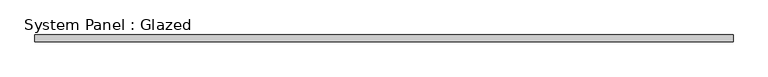
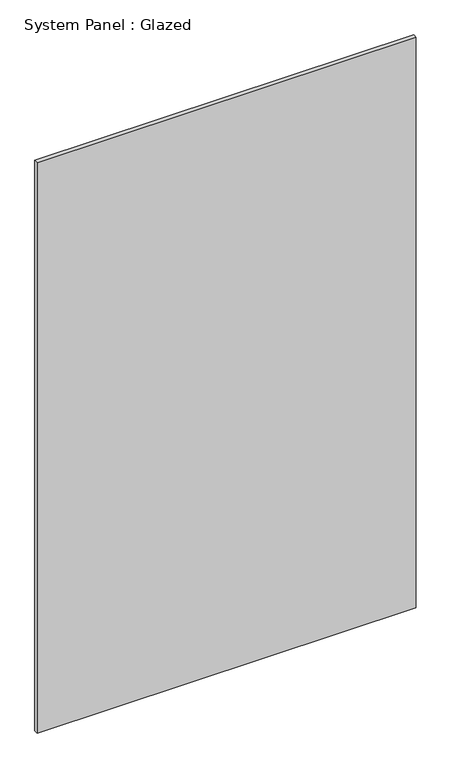
"""IFC4 building model written with IfcOpenShell, lengths in millimetres: plate geometry, System Panel : Glazed."""

from ifc_helpers import new_model, si_unit, origin, origin_with_axes, place, context, project, spatial, polyline, outline, extrude, source, transform, mapped, element, save


def system_panel_glazed_cc63a07c(model_context):
    return source(origin(), model_context, "Body", "SweptSolid", [
        extrude(outline(polyline([(1257.5000085, -49.5), (-1257.5000085, -49.5), (-1257.5000085, -24.5), (1257.5000085, -24.5), (1257.5000085, -49.5)])), origin_with_axes(), (0.0, 0.0, 1.0), 4000.0),
    ])


if __name__ == "__main__":
    model = new_model("IFC4")
    model_context = context("Model", 3, world=origin())
    ifc_project = project(units=[si_unit("LENGTHUNIT", "METRE", prefix="MILLI")], contexts=[model_context])
    site = spatial("IfcSite", under=ifc_project)
    building = spatial("IfcBuilding", under=site)
    placement = place(None, origin())
    system_panel_glazed_shape = system_panel_glazed_cc63a07c(model_context)
    element("IfcPlate", 1, ObjectType="System Panel : Glazed", at=placement, inside=building, context=model_context, shape_type="MappedRepresentation", body=[
        mapped(system_panel_glazed_shape, transform((0.0, 0.0, 0.0), x_axis=(1.0, 0.0, 0.0), y_axis=(0.0, 1.0, 0.0), z_axis=(0.0, 0.0, 1.0))),
    ])
    save(model, "model.ifc")
